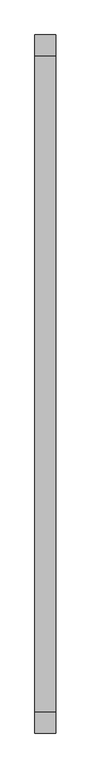
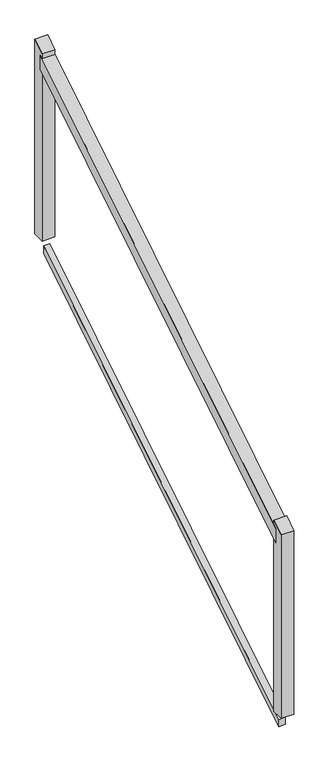
"""IFC4 building model written with IfcOpenShell, lengths in millimetres: railing geometry."""

from ifc_helpers import new_model, si_unit, frame, origin, place, context, project, spatial, polyline, outline, extrude, source, transform, mapped, element, save


def railing_aed4c124(model_context):
    return source(origin(), model_context, "Body", "SweptSolid", [
        extrude(outline(polyline([(119452.2077715, 8212.4120652), (119452.2077715, 8272.2387915), (121084.2077715, 9287.4387915), (121084.2077715, 9227.6120652), (119452.2077715, 8212.4120652)])), frame((-18275.5858677, 0.0, 0.0), z_axis=(1.0, 0.0, 0.0), x_axis=(0.0, 1.0, 0.0)), (0.0, 0.0, 1.0), 50.8),
        extrude(outline(polyline([(119452.2077715, 7429.7687468), (119452.2077715, 7459.6821099), (121084.2077715, 8474.8821099), (121084.2077715, 8444.9687468), (119452.2077715, 7429.7687468)])), frame((-18262.8858677, 0.0, 0.0), z_axis=(1.0, 0.0, 0.0), x_axis=(0.0, 1.0, 0.0)), (0.0, 0.0, 1.0), 25.4),
        extrude(outline(polyline([(121071.5077715, 9300.5252813), (121122.3077715, 9332.1258695), (121122.3077715, 8507.5254283), (121071.5077715, 8507.5254283), (121071.5077715, 9300.5252813)])), frame((-18275.5858677, 0.0, 0.0), z_axis=(1.0, 0.0, 0.0), x_axis=(0.0, 1.0, 0.0)), (0.0, 0.0, 1.0), 50.8),
        extrude(outline(polyline([(119414.1077715, 8269.5249872), (119464.9077715, 8301.1255754), (119464.9077715, 7492.3254283), (119414.1077715, 7492.3254283), (119414.1077715, 8269.5249872)])), frame((-18275.5858677, 0.0, 0.0), z_axis=(1.0, 0.0, 0.0), x_axis=(0.0, 1.0, 0.0)), (0.0, 0.0, 1.0), 50.8),
    ])


if __name__ == "__main__":
    model = new_model("IFC4")
    model_context = context("Model", 3, world=origin())
    ifc_project = project(units=[si_unit("LENGTHUNIT", "METRE", prefix="MILLI")], contexts=[model_context])
    site = spatial("IfcSite", under=ifc_project)
    building = spatial("IfcBuilding", under=site)
    placement = place(None, origin())
    railing_shape = railing_aed4c124(model_context)
    element("IfcRailing", 1, at=placement, inside=building, context=model_context, shape_type="MappedRepresentation", body=[
        mapped(railing_shape, transform((0.0, 0.0, 0.0), x_axis=(1.0, 0.0, 0.0), y_axis=(0.0, 1.0, 0.0), z_axis=(0.0, 0.0, 1.0))),
    ])
    save(model, "model.ifc")
